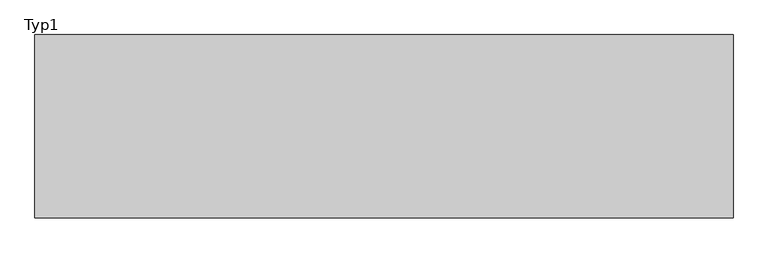
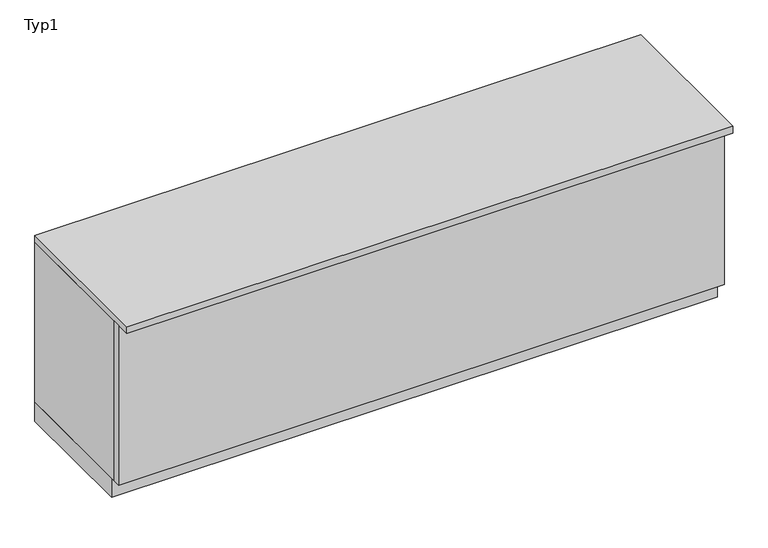
"""IFC4 building model written with IfcOpenShell, lengths in millimetres: furniture geometry, Typ1."""

from ifc_helpers import new_model, si_unit, frame, origin, origin_with_axes, place, context, project, spatial, polyline, outline, extrude, source, transform, mapped, element, save


def typ1_c6189b27(model_context):
    return source(origin(), model_context, "Body", "SweptSolid", [
        extrude(outline(polyline([(-2230.0, -300.0), (-2230.0, -270.0), (280.0, -270.0), (280.0, -300.0), (-2230.0, -300.0)])), frame((0.0, 0.0, 85.0), z_axis=(0.0, 0.0, 1.0), x_axis=(1.0, 0.0, 0.0)), (0.0, 0.0, 1.0), 700.0),
        extrude(outline(polyline([(-2230.0, -360.0), (-2230.0, 300.0), (280.0, 300.0), (280.0, -360.0), (-2230.0, -360.0)])), frame((0.0, 0.0, 785.0), z_axis=(0.0, 0.0, 1.0), x_axis=(1.0, 0.0, 0.0)), (0.0, 0.0, 1.0), 30.0),
        extrude(outline(polyline([(-2230.0, -300.0), (-2230.0, 300.0), (280.0, 300.0), (280.0, -300.0), (-2230.0, -300.0)])), frame((0.0, 0.0, 85.0), z_axis=(0.0, 0.0, 1.0), x_axis=(1.0, 0.0, 0.0)), (0.0, 0.0, 1.0), 700.0),
        extrude(outline(polyline([(-2230.0, -250.0), (-2230.0, 300.0), (280.0, 300.0), (280.0, -250.0), (-2230.0, -250.0)])), origin_with_axes(), (0.0, 0.0, 1.0), 85.0),
    ])


if __name__ == "__main__":
    model = new_model("IFC4")
    model_context = context("Model", 3, world=origin())
    ifc_project = project(units=[si_unit("LENGTHUNIT", "METRE", prefix="MILLI")], contexts=[model_context])
    site = spatial("IfcSite", under=ifc_project)
    building = spatial("IfcBuilding", under=site)
    placement = place(None, origin())
    typ1_shape = typ1_c6189b27(model_context)
    element("IfcFurniture", 1, ObjectType="Typ1", at=placement, inside=building, context=model_context, shape_type="MappedRepresentation", body=[
        mapped(typ1_shape, transform((0.0, 0.0, 0.0), x_axis=(1.0, 0.0, 0.0), y_axis=(0.0, 1.0, 0.0), z_axis=(0.0, 0.0, 1.0))),
    ])
    save(model, "model.ifc")
